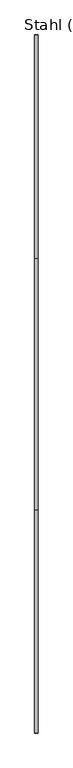
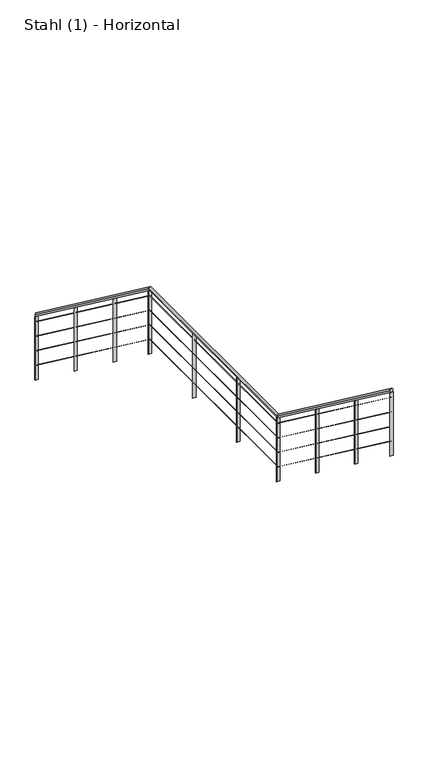
"""IFC4 building model written with IfcOpenShell, lengths in millimetres: railing geometry, Stahl (1) - Horizontal."""

from ifc_helpers import new_model, si_unit, frame, origin, place, context, project, spatial, polyline, ellipse_curve, outline, extrude, source, transform, mapped, element, save
from ifc_brep_helpers import plane_surface, cylinder_surface, advanced_brep


def stahl_1_horizontal_bf9269ad(model_context):
    return source(origin(), model_context, "Body", "SolidModel", [
        advanced_brep(
        [(33122.3888375, 36247.5164276, 4785.0587002), (33082.3888375, 36247.5164276, 4785.0587002), (33122.3888375, 33690.8846832, 6690.0), (33082.3888375, 33690.8846832, 6690.0), (33122.3888375, 30805.6465879, 6690.0), (33082.3888375, 30805.6465879, 6690.0), (33122.3888375, 28262.2783324, 8585.0587002), (33082.3888375, 28262.2783324, 8585.0587002)],
        [
            (0, 1, ellipse_curve(frame((33102.3888375, 36247.5164276, 4785.0587002), z_axis=(0.0, 1.0, 0.0), x_axis=(0.0, 0.0, -1.0)), 24.9412998, 20.0)),
            (1, 0, ellipse_curve(frame((33102.3888375, 36247.5164276, 4785.0587002), z_axis=(0.0, 1.0, 0.0), x_axis=(0.0, 0.0, -1.0)), 24.9412998, 20.0)),
            (0, 2),
            (2, 3, ellipse_curve(frame((33102.3888375, 33690.8846832, 6690.0), z_axis=(0.0, 0.949179337009977, -0.3147357402541068), x_axis=(0.0, -0.3147357402541071, -0.9491793370099768)), 21.0708337, 20.0)),
            (3, 1),
            (3, 2, ellipse_curve(frame((33102.3888375, 33690.8846832, 6690.0), z_axis=(0.0, 0.949179337009977, -0.3147357402541068), x_axis=(0.0, -0.3147357402541071, -0.9491793370099768)), 21.0708337, 20.0)),
            (2, 4),
            (4, 5, ellipse_curve(frame((33102.3888375, 30805.6465879, 6690.0), z_axis=(0.0, 0.9491793370099771, -0.3147357402541066), x_axis=(0.0, 0.3147357402541059, 0.9491793370099773)), 21.0708337, 20.0)),
            (5, 3),
            (5, 4, ellipse_curve(frame((33102.3888375, 30805.6465879, 6690.0), z_axis=(0.0, 0.9491793370099771, -0.3147357402541066), x_axis=(0.0, 0.3147357402541059, 0.9491793370099773)), 21.0708337, 20.0)),
            (6, 7, ellipse_curve(frame((33102.3888375, 28262.2783324, 8585.0587002), z_axis=(0.0, -1.0, 0.0), x_axis=(0.0, 0.0, -1.0)), 24.9412998, 20.0)),
            (7, 6, ellipse_curve(frame((33102.3888375, 28262.2783324, 8585.0587002), z_axis=(0.0, -1.0, 0.0), x_axis=(0.0, 0.0, -1.0)), 24.9412998, 20.0)),
            (4, 6),
            (7, 5),
        ],
        [
            plane_surface(frame((33102.3888375, 36247.5164276, 4810.0), z_axis=(0.0, 1.0, 0.0), x_axis=(0.0, 0.0, -1.0))),
            cylinder_surface(frame((33102.3888375, 36235.5668012, 4793.9623434), z_axis=(0.0, 0.8018828276133989, -0.5974813225354747), x_axis=(-1.0, 0.0, 0.0)), 20.0),
            cylinder_surface(frame((33102.3888375, 33697.5164276, 6690.0), z_axis=(0.0, 1.0, 0.0), x_axis=(-1.0, 0.0, 0.0)), 20.0),
            plane_surface(frame((33102.3888375, 28262.2783324, 8610.0), z_axis=(0.0, -1.0, 0.0), x_axis=(0.0, 0.0, -1.0))),
            cylinder_surface(frame((33102.3888375, 30800.3287059, 6693.9623434), z_axis=(0.0, 0.8018828276133991, -0.5974813225354744), x_axis=(-1.0, 0.0, 0.0)), 20.0),
        ],
        [
            (0, [[1, 2]]),
            (1, [[-1, 3, 4, 5]]),
            (1, [[-2, -5, 6, -3]]),
            (2, [[-4, 7, 8, 9]]),
            (2, [[-6, -9, 10, -7]]),
            (3, [[11, 12]]),
            (4, [[-8, 13, -12, 14]]),
            (4, [[-10, -14, -11, -13]]),
        ],
    ),
        advanced_brep(
        [(33103.8888375, 36247.5164276, 4688.1294025), (33100.8888375, 36247.5164276, 4688.1294025), (33103.8888375, 33697.0190468, 6588.5), (33100.8888375, 33697.0190468, 6588.5), (33103.8888375, 30811.7809516, 6588.5), (33100.8888375, 30811.7809516, 6588.5), (33103.8888375, 28262.2783324, 8488.1294025), (33100.8888375, 28262.2783324, 8488.1294025)],
        [
            (0, 1, ellipse_curve(frame((33102.3888375, 36247.5164276, 4688.1294025), z_axis=(0.0, 1.0, 0.0), x_axis=(0.0, 0.0, -1.0)), 1.8705975, 1.5)),
            (1, 0, ellipse_curve(frame((33102.3888375, 36247.5164276, 4688.1294025), z_axis=(0.0, 1.0, 0.0), x_axis=(0.0, 0.0, -1.0)), 1.8705975, 1.5)),
            (0, 2),
            (2, 3, ellipse_curve(frame((33102.3888375, 33697.0190468, 6588.5), z_axis=(0.0, 0.949179337009977, -0.3147357402541068), x_axis=(0.0, -0.3147357402541071, -0.9491793370099768)), 1.5803125, 1.5)),
            (3, 1),
            (3, 2, ellipse_curve(frame((33102.3888375, 33697.0190468, 6588.5), z_axis=(0.0, 0.949179337009977, -0.3147357402541068), x_axis=(0.0, -0.3147357402541071, -0.9491793370099768)), 1.5803125, 1.5)),
            (2, 4),
            (4, 5, ellipse_curve(frame((33102.3888375, 30811.7809516, 6588.5), z_axis=(0.0, 0.9491793370099771, -0.3147357402541066), x_axis=(0.0, 0.3147357402541059, 0.9491793370099773)), 1.5803125, 1.5)),
            (5, 3),
            (5, 4, ellipse_curve(frame((33102.3888375, 30811.7809516, 6588.5), z_axis=(0.0, 0.9491793370099771, -0.3147357402541066), x_axis=(0.0, 0.3147357402541059, 0.9491793370099773)), 1.5803125, 1.5)),
            (6, 7, ellipse_curve(frame((33102.3888375, 28262.2783324, 8488.1294025), z_axis=(0.0, -1.0, 0.0), x_axis=(0.0, 0.0, -1.0)), 1.8705975, 1.5)),
            (7, 6, ellipse_curve(frame((33102.3888375, 28262.2783324, 8488.1294025), z_axis=(0.0, -1.0, 0.0), x_axis=(0.0, 0.0, -1.0)), 1.8705975, 1.5)),
            (4, 6),
            (7, 5),
        ],
        [
            plane_surface(frame((33102.3888375, 36247.5164276, 4690.0), z_axis=(0.0, 1.0, 0.0), x_axis=(0.0, 0.0, -1.0))),
            cylinder_surface(frame((33102.3888375, 36246.6202057, 4688.7971758), z_axis=(0.0, 0.8018828276133989, -0.5974813225354747), x_axis=(-1.0, 0.0, 0.0)), 1.5),
            cylinder_surface(frame((33102.3888375, 33697.5164276, 6588.5), z_axis=(0.0, 1.0, 0.0), x_axis=(-1.0, 0.0, 0.0)), 1.5),
            plane_surface(frame((33102.3888375, 28262.2783324, 8490.0), z_axis=(0.0, -1.0, 0.0), x_axis=(0.0, 0.0, -1.0))),
            cylinder_surface(frame((33102.3888375, 30811.3821104, 6588.7971758), z_axis=(0.0, 0.8018828276133991, -0.5974813225354744), x_axis=(-1.0, 0.0, 0.0)), 1.5),
        ],
        [
            (0, [[1, 2]]),
            (1, [[-1, 3, 4, 5]]),
            (1, [[-2, -5, 6, -3]]),
            (2, [[-4, 7, 8, 9]]),
            (2, [[-6, -9, 10, -7]]),
            (3, [[11, 12]]),
            (4, [[-8, 13, -12, 14]]),
            (4, [[-10, -14, -11, -13]]),
        ],
    ),
        advanced_brep(
        [(33103.8888375, 36247.5164276, 4488.1294025), (33100.8888375, 36247.5164276, 4488.1294025), (33103.8888375, 33697.0190468, 6388.5), (33100.8888375, 33697.0190468, 6388.5), (33103.8888375, 30811.7809516, 6388.5), (33100.8888375, 30811.7809516, 6388.5), (33103.8888375, 28262.2783324, 8288.1294025), (33100.8888375, 28262.2783324, 8288.1294025)],
        [
            (0, 1, ellipse_curve(frame((33102.3888375, 36247.5164276, 4488.1294025), z_axis=(0.0, 1.0, 0.0), x_axis=(0.0, 0.0, -1.0)), 1.8705975, 1.5)),
            (1, 0, ellipse_curve(frame((33102.3888375, 36247.5164276, 4488.1294025), z_axis=(0.0, 1.0, 0.0), x_axis=(0.0, 0.0, -1.0)), 1.8705975, 1.5)),
            (0, 2),
            (2, 3, ellipse_curve(frame((33102.3888375, 33697.0190468, 6388.5), z_axis=(0.0, 0.949179337009977, -0.3147357402541068), x_axis=(0.0, -0.3147357402541071, -0.9491793370099768)), 1.5803125, 1.5)),
            (3, 1),
            (3, 2, ellipse_curve(frame((33102.3888375, 33697.0190468, 6388.5), z_axis=(0.0, 0.949179337009977, -0.3147357402541068), x_axis=(0.0, -0.3147357402541071, -0.9491793370099768)), 1.5803125, 1.5)),
            (2, 4),
            (4, 5, ellipse_curve(frame((33102.3888375, 30811.7809516, 6388.5), z_axis=(0.0, 0.9491793370099771, -0.3147357402541066), x_axis=(0.0, 0.3147357402541059, 0.9491793370099773)), 1.5803125, 1.5)),
            (5, 3),
            (5, 4, ellipse_curve(frame((33102.3888375, 30811.7809516, 6388.5), z_axis=(0.0, 0.9491793370099771, -0.3147357402541066), x_axis=(0.0, 0.3147357402541059, 0.9491793370099773)), 1.5803125, 1.5)),
            (6, 7, ellipse_curve(frame((33102.3888375, 28262.2783324, 8288.1294025), z_axis=(0.0, -1.0, 0.0), x_axis=(0.0, 0.0, -1.0)), 1.8705975, 1.5)),
            (7, 6, ellipse_curve(frame((33102.3888375, 28262.2783324, 8288.1294025), z_axis=(0.0, -1.0, 0.0), x_axis=(0.0, 0.0, -1.0)), 1.8705975, 1.5)),
            (4, 6),
            (7, 5),
        ],
        [
            plane_surface(frame((33102.3888375, 36247.5164276, 4490.0), z_axis=(0.0, 1.0, 0.0), x_axis=(0.0, 0.0, -1.0))),
            cylinder_surface(frame((33102.3888375, 36246.6202057, 4488.7971758), z_axis=(0.0, 0.8018828276133989, -0.5974813225354747), x_axis=(-1.0, 0.0, 0.0)), 1.5),
            cylinder_surface(frame((33102.3888375, 33697.5164276, 6388.5), z_axis=(0.0, 1.0, 0.0), x_axis=(-1.0, 0.0, 0.0)), 1.5),
            plane_surface(frame((33102.3888375, 28262.2783324, 8290.0), z_axis=(0.0, -1.0, 0.0), x_axis=(0.0, 0.0, -1.0))),
            cylinder_surface(frame((33102.3888375, 30811.3821104, 6388.7971758), z_axis=(0.0, 0.8018828276133991, -0.5974813225354744), x_axis=(-1.0, 0.0, 0.0)), 1.5),
        ],
        [
            (0, [[1, 2]]),
            (1, [[-1, 3, 4, 5]]),
            (1, [[-2, -5, 6, -3]]),
            (2, [[-4, 7, 8, 9]]),
            (2, [[-6, -9, 10, -7]]),
            (3, [[11, 12]]),
            (4, [[-8, 13, -12, 14]]),
            (4, [[-10, -14, -11, -13]]),
        ],
    ),
        advanced_brep(
        [(33103.8888375, 36247.5164276, 4288.1294025), (33100.8888375, 36247.5164276, 4288.1294025), (33103.8888375, 33697.0190468, 6188.5), (33100.8888375, 33697.0190468, 6188.5), (33103.8888375, 30811.7809516, 6188.5), (33100.8888375, 30811.7809516, 6188.5), (33103.8888375, 28262.2783324, 8088.1294025), (33100.8888375, 28262.2783324, 8088.1294025)],
        [
            (0, 1, ellipse_curve(frame((33102.3888375, 36247.5164276, 4288.1294025), z_axis=(0.0, 1.0, 0.0), x_axis=(0.0, 0.0, -1.0)), 1.8705975, 1.5)),
            (1, 0, ellipse_curve(frame((33102.3888375, 36247.5164276, 4288.1294025), z_axis=(0.0, 1.0, 0.0), x_axis=(0.0, 0.0, -1.0)), 1.8705975, 1.5)),
            (0, 2),
            (2, 3, ellipse_curve(frame((33102.3888375, 33697.0190468, 6188.5), z_axis=(0.0, 0.949179337009977, -0.3147357402541068), x_axis=(0.0, -0.3147357402541071, -0.9491793370099768)), 1.5803125, 1.5)),
            (3, 1),
            (3, 2, ellipse_curve(frame((33102.3888375, 33697.0190468, 6188.5), z_axis=(0.0, 0.949179337009977, -0.3147357402541068), x_axis=(0.0, -0.3147357402541071, -0.9491793370099768)), 1.5803125, 1.5)),
            (2, 4),
            (4, 5, ellipse_curve(frame((33102.3888375, 30811.7809516, 6188.5), z_axis=(0.0, 0.9491793370099771, -0.3147357402541066), x_axis=(0.0, 0.3147357402541059, 0.9491793370099773)), 1.5803125, 1.5)),
            (5, 3),
            (5, 4, ellipse_curve(frame((33102.3888375, 30811.7809516, 6188.5), z_axis=(0.0, 0.9491793370099771, -0.3147357402541066), x_axis=(0.0, 0.3147357402541059, 0.9491793370099773)), 1.5803125, 1.5)),
            (6, 7, ellipse_curve(frame((33102.3888375, 28262.2783324, 8088.1294025), z_axis=(0.0, -1.0, 0.0), x_axis=(0.0, 0.0, -1.0)), 1.8705975, 1.5)),
            (7, 6, ellipse_curve(frame((33102.3888375, 28262.2783324, 8088.1294025), z_axis=(0.0, -1.0, 0.0), x_axis=(0.0, 0.0, -1.0)), 1.8705975, 1.5)),
            (4, 6),
            (7, 5),
        ],
        [
            plane_surface(frame((33102.3888375, 36247.5164276, 4290.0), z_axis=(0.0, 1.0, 0.0), x_axis=(0.0, 0.0, -1.0))),
            cylinder_surface(frame((33102.3888375, 36246.6202057, 4288.7971758), z_axis=(0.0, 0.8018828276133989, -0.5974813225354747), x_axis=(-1.0, 0.0, 0.0)), 1.5),
            cylinder_surface(frame((33102.3888375, 33697.5164276, 6188.5), z_axis=(0.0, 1.0, 0.0), x_axis=(-1.0, 0.0, 0.0)), 1.5),
            plane_surface(frame((33102.3888375, 28262.2783324, 8090.0), z_axis=(0.0, -1.0, 0.0), x_axis=(0.0, 0.0, -1.0))),
            cylinder_surface(frame((33102.3888375, 30811.3821104, 6188.7971758), z_axis=(0.0, 0.8018828276133991, -0.5974813225354744), x_axis=(-1.0, 0.0, 0.0)), 1.5),
        ],
        [
            (0, [[1, 2]]),
            (1, [[-1, 3, 4, 5]]),
            (1, [[-2, -5, 6, -3]]),
            (2, [[-4, 7, 8, 9]]),
            (2, [[-6, -9, 10, -7]]),
            (3, [[11, 12]]),
            (4, [[-8, 13, -12, 14]]),
            (4, [[-10, -14, -11, -13]]),
        ],
    ),
        advanced_brep(
        [(33103.8888375, 36247.5164276, 4088.1294025), (33100.8888375, 36247.5164276, 4088.1294025), (33103.8888375, 33697.0190468, 5988.5), (33100.8888375, 33697.0190468, 5988.5), (33103.8888375, 30811.7809516, 5988.5), (33100.8888375, 30811.7809516, 5988.5), (33103.8888375, 28262.2783324, 7888.1294025), (33100.8888375, 28262.2783324, 7888.1294025)],
        [
            (0, 1, ellipse_curve(frame((33102.3888375, 36247.5164276, 4088.1294025), z_axis=(0.0, 1.0, 0.0), x_axis=(0.0, 0.0, -1.0)), 1.8705975, 1.5)),
            (1, 0, ellipse_curve(frame((33102.3888375, 36247.5164276, 4088.1294025), z_axis=(0.0, 1.0, 0.0), x_axis=(0.0, 0.0, -1.0)), 1.8705975, 1.5)),
            (0, 2),
            (2, 3, ellipse_curve(frame((33102.3888375, 33697.0190468, 5988.5), z_axis=(0.0, 0.949179337009977, -0.3147357402541068), x_axis=(0.0, -0.3147357402541071, -0.9491793370099768)), 1.5803125, 1.5)),
            (3, 1),
            (3, 2, ellipse_curve(frame((33102.3888375, 33697.0190468, 5988.5), z_axis=(0.0, 0.949179337009977, -0.3147357402541068), x_axis=(0.0, -0.3147357402541071, -0.9491793370099768)), 1.5803125, 1.5)),
            (2, 4),
            (4, 5, ellipse_curve(frame((33102.3888375, 30811.7809516, 5988.5), z_axis=(0.0, 0.9491793370099771, -0.3147357402541066), x_axis=(0.0, 0.3147357402541059, 0.9491793370099773)), 1.5803125, 1.5)),
            (5, 3),
            (5, 4, ellipse_curve(frame((33102.3888375, 30811.7809516, 5988.5), z_axis=(0.0, 0.9491793370099771, -0.3147357402541066), x_axis=(0.0, 0.3147357402541059, 0.9491793370099773)), 1.5803125, 1.5)),
            (6, 7, ellipse_curve(frame((33102.3888375, 28262.2783324, 7888.1294025), z_axis=(0.0, -1.0, 0.0), x_axis=(0.0, 0.0, -1.0)), 1.8705975, 1.5)),
            (7, 6, ellipse_curve(frame((33102.3888375, 28262.2783324, 7888.1294025), z_axis=(0.0, -1.0, 0.0), x_axis=(0.0, 0.0, -1.0)), 1.8705975, 1.5)),
            (4, 6),
            (7, 5),
        ],
        [
            plane_surface(frame((33102.3888375, 36247.5164276, 4090.0), z_axis=(0.0, 1.0, 0.0), x_axis=(0.0, 0.0, -1.0))),
            cylinder_surface(frame((33102.3888375, 36246.6202057, 4088.7971758), z_axis=(0.0, 0.8018828276133989, -0.5974813225354747), x_axis=(-1.0, 0.0, 0.0)), 1.5),
            cylinder_surface(frame((33102.3888375, 33697.5164276, 5988.5), z_axis=(0.0, 1.0, 0.0), x_axis=(-1.0, 0.0, 0.0)), 1.5),
            plane_surface(frame((33102.3888375, 28262.2783324, 7890.0), z_axis=(0.0, -1.0, 0.0), x_axis=(0.0, 0.0, -1.0))),
            cylinder_surface(frame((33102.3888375, 30811.3821104, 5988.7971758), z_axis=(0.0, 0.8018828276133991, -0.5974813225354744), x_axis=(-1.0, 0.0, 0.0)), 1.5),
        ],
        [
            (0, [[1, 2]]),
            (1, [[-1, 3, 4, 5]]),
            (1, [[-2, -5, 6, -3]]),
            (2, [[-4, 7, 8, 9]]),
            (2, [[-6, -9, 10, -7]]),
            (3, [[11, 12]]),
            (4, [[-8, 13, -12, 14]]),
            (4, [[-10, -14, -11, -13]]),
        ],
    ),
        extrude(outline(polyline([(29057.6576427, 7967.4818358), (29057.6576427, 7100.3448276), (29049.6576427, 7100.3448276), (29049.6576427, 7973.4426202), (29057.6576427, 7967.4818358)])), frame((33082.3888375, 0.0, 0.0), z_axis=(1.0, 0.0, 0.0), x_axis=(0.0, 1.0, 0.0)), (0.0, 0.0, 1.0), 40.0),
        extrude(outline(polyline([(29936.9679876, 7312.3094221), (29936.9679876, 6445.1724138), (29928.9679876, 6445.1724138), (29928.9679876, 7318.2702064), (29936.9679876, 7312.3094221)])), frame((33082.3888375, 0.0, 0.0), z_axis=(1.0, 0.0, 0.0), x_axis=(0.0, 1.0, 0.0)), (0.0, 0.0, 1.0), 40.0),
        extrude(outline(polyline([(33082.3888375, 31711.6970516), (33122.3888375, 31711.6970516), (33122.3888375, 31703.6970516), (33082.3888375, 31703.6970516), (33082.3888375, 31711.6970516)])), frame((0.0, 0.0, 5790.0), z_axis=(0.0, 0.0, 1.0), x_axis=(1.0, 0.0, 0.0)), (0.0, 0.0, 1.0), 880.0),
        extrude(outline(polyline([(33082.3888375, 32706.6067396), (33122.3888375, 32706.6067396), (33122.3888375, 32698.6067396), (33082.3888375, 32698.6067396), (33082.3888375, 32706.6067396)])), frame((0.0, 0.0, 5790.0), z_axis=(0.0, 0.0, 1.0), x_axis=(1.0, 0.0, 0.0)), (0.0, 0.0, 1.0), 880.0),
        extrude(outline(polyline([(34492.895738, 6067.4818358), (34492.895738, 5200.3448276), (34484.895738, 5200.3448276), (34484.895738, 6073.4426202), (34492.895738, 6067.4818358)])), frame((33082.3888375, 0.0, 0.0), z_axis=(1.0, 0.0, 0.0), x_axis=(0.0, 1.0, 0.0)), (0.0, 0.0, 1.0), 40.0),
        extrude(outline(polyline([(35372.2060828, 5412.3094221), (35372.2060828, 4545.1724138), (35364.2060828, 4545.1724138), (35364.2060828, 5418.2702064), (35372.2060828, 5412.3094221)])), frame((33082.3888375, 0.0, 0.0), z_axis=(1.0, 0.0, 0.0), x_axis=(0.0, 1.0, 0.0)), (0.0, 0.0, 1.0), 40.0),
        extrude(outline(polyline([(33082.3888375, 30816.2783324), (33122.3888375, 30816.2783324), (33122.3888375, 30808.2783324), (33082.3888375, 30808.2783324), (33082.3888375, 30816.2783324)])), frame((0.0, 0.0, 5790.0), z_axis=(0.0, 0.0, 1.0), x_axis=(1.0, 0.0, 0.0)), (0.0, 0.0, 1.0), 880.0),
        extrude(outline(polyline([(33701.5164276, 6657.1370083), (33701.5164276, 5790.0), (33693.5164276, 5790.0), (33693.5164276, 6663.0977926), (33701.5164276, 6657.1370083)])), frame((33082.3888375, 0.0, 0.0), z_axis=(1.0, 0.0, 0.0), x_axis=(0.0, 1.0, 0.0)), (0.0, 0.0, 1.0), 40.0),
        extrude(outline(polyline([(28266.2783324, 8557.1370083), (28266.2783324, 7690.0), (28258.2783324, 7690.0), (28258.2783324, 8563.0977926), (28266.2783324, 8557.1370083)])), frame((33082.3888375, 0.0, 0.0), z_axis=(1.0, 0.0, 0.0), x_axis=(0.0, 1.0, 0.0)), (0.0, 0.0, 1.0), 40.0),
        extrude(outline(polyline([(36251.5164276, 4757.1370083), (36251.5164276, 3890.0), (36243.5164276, 3890.0), (36243.5164276, 4763.0977926), (36251.5164276, 4757.1370083)])), frame((33082.3888375, 0.0, 0.0), z_axis=(1.0, 0.0, 0.0), x_axis=(0.0, 1.0, 0.0)), (0.0, 0.0, 1.0), 40.0),
    ])


if __name__ == "__main__":
    model = new_model("IFC4")
    model_context = context("Model", 3, world=origin())
    ifc_project = project(units=[si_unit("LENGTHUNIT", "METRE", prefix="MILLI")], contexts=[model_context])
    site = spatial("IfcSite", under=ifc_project)
    building = spatial("IfcBuilding", under=site)
    placement = place(None, origin())
    stahl_1_horizontal_shape = stahl_1_horizontal_bf9269ad(model_context)
    element("IfcRailing", 1, ObjectType="Stahl (1) - Horizontal", at=placement, inside=building, context=model_context, shape_type="MappedRepresentation", body=[
        mapped(stahl_1_horizontal_shape, transform((0.0, 0.0, 0.0), x_axis=(1.0, 0.0, 0.0), y_axis=(0.0, 1.0, 0.0), z_axis=(0.0, 0.0, 1.0))),
    ])
    save(model, "model.ifc")
